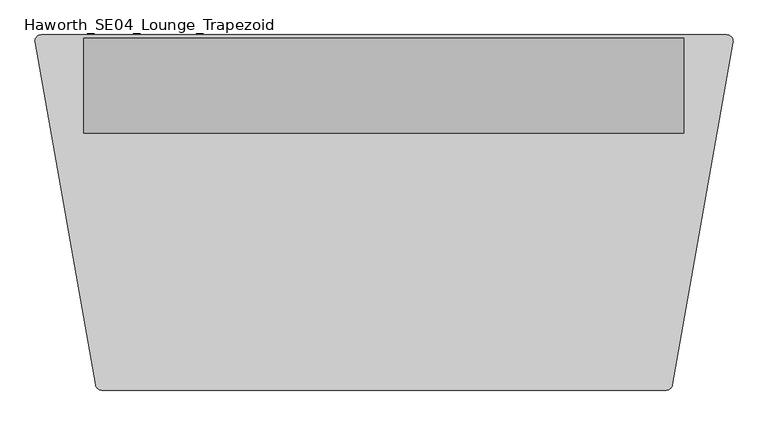
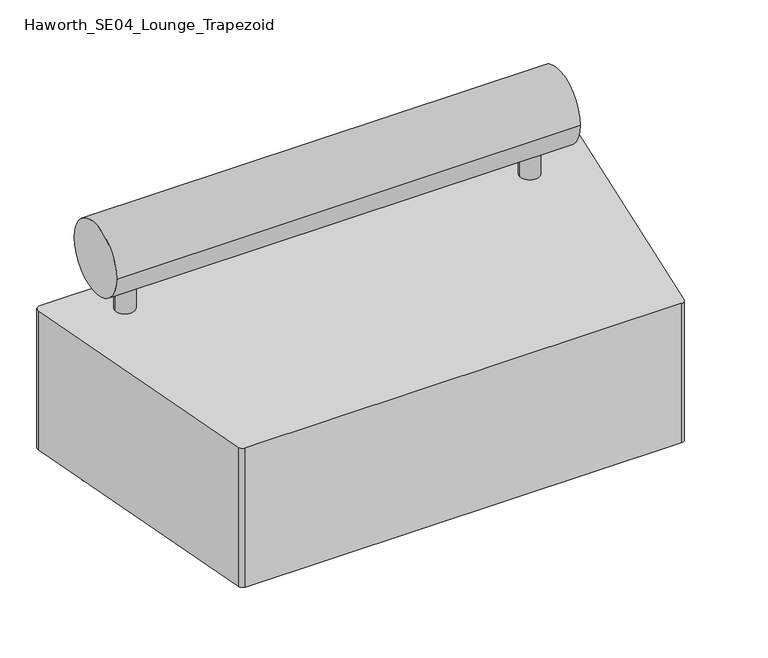
"""IFC4 building model written with IfcOpenShell, lengths in millimetres: furniture geometry, Haworth_SE04_Lounge_Trapezoid."""

import ifcopenshell
import ifcopenshell.guid

model = None  # the IFC model being written
_history = None  # IfcOwnerHistory: only IFC2X3 demands one
_inside = {}  # id of a spatial element -> (the spatial element, [elements in it])
_under = {}  # id of a project, library or spatial element -> (it, [spatial elements below it])
_declared = {}  # id of a project -> (the project, [libraries it declares])
_typed = {}  # id of a type object -> (the type object, [elements of that type])
_made_of = {}  # id of a material, layer set ... -> (it, [elements and type objects made of it])


def new_model(schema):
    """Start an empty IFC model of exactly this schema.

    Asked for "IFC4X3", IfcOpenShell would pick the latest addendum, in which some entities
    have other attributes; the version numbers below select the first issue.
    IFC2X3 requires an IfcOwnerHistory on every rooted entity: one is made here for all.
    """
    global model, _history
    if schema == "IFC4X3":
        model = ifcopenshell.file(schema_version=(4, 3, 0, 0))
    else:
        model = ifcopenshell.file(schema=schema)
    _inside.clear()
    _under.clear()
    _declared.clear()
    _typed.clear()
    _made_of.clear()
    _history = None
    if model.schema == "IFC2X3":
        org = make("IfcOrganization", Name="unknown")
        user = make(
            "IfcPersonAndOrganization",
            ThePerson=make("IfcPerson", FamilyName="unknown"),
            TheOrganization=org,
        )
        app = make(
            "IfcApplication",
            ApplicationDeveloper=org,
            Version="unknown",
            ApplicationFullName="unknown",
            ApplicationIdentifier="unknown",
        )
        _history = make(
            "IfcOwnerHistory",
            OwningUser=user,
            OwningApplication=app,
            ChangeAction="ADDED",
            CreationDate=0,
        )
    return model


def make(cls, **values):
    """One entity of the class cls with the attributes given. An attribute that is None is left unset."""
    return model.create_entity(
        cls, **{name: value for name, value in values.items() if value is not None}
    )


def rooted(cls, **values):
    """An entity with a GlobalId (a new one), such as an element, a storey or a relation."""
    return make(cls, GlobalId=ifcopenshell.guid.new(), OwnerHistory=_history, **values)


def si_unit(unit_type, name, prefix=None):
    """IfcSIUnit, for example si_unit("LENGTHUNIT", "METRE", prefix="MILLI")."""
    return make("IfcSIUnit", UnitType=unit_type, Prefix=prefix, Name=name)


def assignment(units):
    """IfcUnitAssignment: the units of a project."""
    return None if units is None else make("IfcUnitAssignment", Units=units)


def point(xyz):
    """IfcCartesianPoint."""
    return None if xyz is None else make("IfcCartesianPoint", Coordinates=xyz)


def direction(xyz):
    """IfcDirection."""
    return None if xyz is None else make("IfcDirection", DirectionRatios=xyz)


def frame(location, z_axis=None, x_axis=None):
    """IfcAxis2Placement3D, a coordinate frame: its origin and axes. An axis left out is left unset."""
    return make(
        "IfcAxis2Placement3D",
        Location=point(location),
        Axis=direction(z_axis),
        RefDirection=direction(x_axis),
    )


def frame_2d(location, x_axis=None):
    """IfcAxis2Placement2D, a coordinate frame in the plane: its origin and x axis."""
    return make(
        "IfcAxis2Placement2D", Location=point(location), RefDirection=direction(x_axis)
    )


def origin():
    """The frame at (0, 0, 0) with its axes left unset."""
    return frame((0.0, 0.0, 0.0))


def origin_with_axes():
    """The frame at (0, 0, 0) with the z axis (0, 0, 1) and the x axis (1, 0, 0) written out."""
    return frame((0.0, 0.0, 0.0), z_axis=(0.0, 0.0, 1.0), x_axis=(1.0, 0.0, 0.0))


def place(relative_to, where):
    """IfcLocalPlacement: puts the frame where relative to a parent placement (None: the world)."""
    return make(
        "IfcLocalPlacement", PlacementRelTo=relative_to, RelativePlacement=where
    )


def context(
    kind, dimensions, precision=None, world=None, true_north=None, identifier=None
):
    """IfcGeometricRepresentationContext, for example the 3D "Model" context."""
    return make(
        "IfcGeometricRepresentationContext",
        ContextIdentifier=identifier,
        ContextType=kind,
        CoordinateSpaceDimension=dimensions,
        Precision=precision,
        WorldCoordinateSystem=world,
        TrueNorth=true_north,
    )


def project(units=None, contexts=None):
    """IfcProject with its units and contexts."""
    return rooted(
        "IfcProject",
        Name="project",
        RepresentationContexts=contexts,
        UnitsInContext=assignment(units),
    )


def spatial(cls, under=None, at=None, **own):
    """A site, building, storey or space (cls), placed at a placement, below another one or the project."""
    s = rooted(cls, ObjectPlacement=at, **own)
    if under is not None:
        _under.setdefault(under.id(), (under, []))[1].append(s)
    return s


def polyline(points):
    """IfcPolyline through the points."""
    return make("IfcPolyline", Points=[point(p) for p in points])


def circle_curve(where, radius):
    """IfcCircle in the frame where."""
    return make("IfcCircle", Position=where, Radius=radius)


def trimmed(basis, trim1, trim2, sense, master):
    """IfcTrimmedCurve: the piece of a basis curve between two trims."""
    return make(
        "IfcTrimmedCurve",
        BasisCurve=basis,
        Trim1=trim1,
        Trim2=trim2,
        SenseAgreement=sense,
        MasterRepresentation=master,
    )


def segment(curve, same_sense, transition):
    """IfcCompositeCurveSegment."""
    return make(
        "IfcCompositeCurveSegment",
        Transition=transition,
        SameSense=same_sense,
        ParentCurve=curve,
    )


def composite_curve(segments, self_intersect=None):
    """IfcCompositeCurve: segments joined end to end."""
    return make("IfcCompositeCurve", Segments=segments, SelfIntersect=self_intersect)


def outline(outer, holes=None, kind="AREA"):
    """IfcArbitraryClosedProfileDef: a profile drawn as a closed curve; with holes, ...WithVoids."""
    if holes is None:
        return make("IfcArbitraryClosedProfileDef", ProfileType=kind, OuterCurve=outer)
    return make(
        "IfcArbitraryProfileDefWithVoids",
        ProfileType=kind,
        OuterCurve=outer,
        InnerCurves=holes,
    )


def extrude(swept, where, along, depth):
    """IfcExtrudedAreaSolid: the profile swept, set in the frame where, extruded along a direction by depth."""
    return make(
        "IfcExtrudedAreaSolid",
        SweptArea=swept,
        Position=where,
        ExtrudedDirection=direction(along),
        Depth=depth,
    )


def shape(context_of_items, identifier, shape_type, items):
    """IfcShapeRepresentation: the items that make up one representation, for example the "Body"."""
    return make(
        "IfcShapeRepresentation",
        ContextOfItems=context_of_items,
        RepresentationIdentifier=identifier,
        RepresentationType=shape_type,
        Items=items,
    )


def source(mapping_origin, context_of_items, identifier, shape_type, items):
    """IfcRepresentationMap: a shape defined once, which mapped items show again and again."""
    return make(
        "IfcRepresentationMap",
        MappingOrigin=mapping_origin,
        MappedRepresentation=shape(context_of_items, identifier, shape_type, items),
    )


def transform(
    local_origin,
    x_axis=None,
    y_axis=None,
    z_axis=None,
    scale=None,
    scale2=None,
    scale3=None,
    uniform=True,
):
    """IfcCartesianTransformationOperator3D, or its non-uniform kind. x_axis, y_axis, z_axis: its Axis1, 2, 3."""
    if uniform:
        return make(
            "IfcCartesianTransformationOperator3D",
            Axis1=direction(x_axis),
            Axis2=direction(y_axis),
            LocalOrigin=point(local_origin),
            Scale=scale,
            Axis3=direction(z_axis),
        )
    return make(
        "IfcCartesianTransformationOperator3DnonUniform",
        Axis1=direction(x_axis),
        Axis2=direction(y_axis),
        LocalOrigin=point(local_origin),
        Scale=scale,
        Axis3=direction(z_axis),
        Scale2=scale2,
        Scale3=scale3,
    )


def mapped(mapping_source, mapping_target):
    """IfcMappedItem: shows the shape of a source again, moved by a transform."""
    return make(
        "IfcMappedItem", MappingSource=mapping_source, MappingTarget=mapping_target
    )


def made_of(thing, what):
    """Note that an element or type object is made of a material, layer set ...; save() writes the relation."""
    if what is not None:
        _made_of.setdefault(what.id(), (what, []))[1].append(thing)
    return thing


def element(
    cls,
    number,
    at=None,
    inside=None,
    cuts=None,
    type_object=None,
    material=None,
    context=None,
    identifier="Body",
    shape_type=None,
    held_by="IfcProductDefinitionShape",
    body=None,
    shapes=None,
    **own,
):
    """One element of the class cls, such as IfcWall. Its Tag is "e" and its number.

    at: its placement. inside: the storey or other place that contains it. cuts: it is an
    opening in that element (IfcRelVoidsElement). A single representation is given by context,
    identifier, shape_type and body (its items); several are given by shapes. held_by: the class
    of the entity that holds the representations. save() writes the other relations.
    """
    e = rooted(cls, Tag="e%d" % number, ObjectPlacement=at, **own)
    if body is not None:
        shapes = [shape(context, identifier, shape_type, body)]
    if shapes is not None:
        e.Representation = make(held_by, Representations=shapes)
    if inside is not None:
        _inside.setdefault(inside.id(), (inside, []))[1].append(e)
    if cuts is not None:
        rooted(
            "IfcRelVoidsElement", RelatingBuildingElement=cuts, RelatedOpeningElement=e
        )
    if type_object is not None:
        _typed.setdefault(type_object.id(), (type_object, []))[1].append(e)
    return made_of(e, material)


def aggregate(whole, parts):
    """IfcRelAggregates: a whole, such as a stair, and the parts it consists of."""
    return rooted("IfcRelAggregates", RelatingObject=whole, RelatedObjects=parts)


def save(model, path):
    """Write the relations noted so far, then the file.

    IfcRelAggregates (storeys below a building ...), IfcRelContainedInSpatialStructure (elements
    in a storey), IfcRelDefinesByType, IfcRelAssociatesMaterial and IfcRelDeclares: one each for
    every whole, place, type object, material and project.
    """
    for whole, parts in _under.values():
        aggregate(whole, parts)
    for where, things in _inside.values():
        rooted(
            "IfcRelContainedInSpatialStructure",
            RelatedElements=things,
            RelatingStructure=where,
        )
    for kind, things in _typed.values():
        rooted("IfcRelDefinesByType", RelatedObjects=things, RelatingType=kind)
    for what, things in _made_of.values():
        rooted("IfcRelAssociatesMaterial", RelatedObjects=things, RelatingMaterial=what)
    for by, libraries in _declared.values():
        rooted("IfcRelDeclares", RelatingContext=by, RelatedDefinitions=libraries)
    model.write(path)


def haworth_se04_lounge_trapezoid_52a23010(model_context):
    return source(origin(), model_context, "Body", "SweptSolid", [
        extrude(outline(composite_curve([segment(trimmed(circle_curve(frame_2d((498.347985, 254.0)), 25.4), [point((523.747985, 254.0))], [point((472.947985, 254.0))], False, "CARTESIAN"), True, "CONTINUOUS"), segment(trimmed(circle_curve(frame_2d((498.347985, 254.0)), 25.4), [point((472.947985, 254.0))], [point((523.747985, 254.0))], False, "CARTESIAN"), True, "CONTINUOUS")], self_intersect=False)), frame((0.0, 0.0, 431.8), z_axis=(0.0, 0.0, 1.0), x_axis=(1.0, 0.0, 0.0)), (0.0, 0.0, 1.0), 79.375),
        extrude(outline(composite_curve([segment(trimmed(circle_curve(frame_2d((-549.402015, 254.0)), 25.4), [point((-574.802015, 254.0))], [point((-524.002015, 254.0))], False, "CARTESIAN"), True, "CONTINUOUS"), segment(trimmed(circle_curve(frame_2d((-549.402015, 254.0)), 25.4), [point((-524.002015, 254.0))], [point((-574.802015, 254.0))], False, "CARTESIAN"), True, "CONTINUOUS")], self_intersect=False)), frame((0.0, 0.0, 431.8), z_axis=(0.0, 0.0, 1.0), x_axis=(1.0, 0.0, 0.0)), (0.0, 0.0, 1.0), 79.375),
        extrude(outline(composite_curve([segment(trimmed(circle_curve(frame_2d((-625.602015, 254.0)), 34.925), [point((-660.527015, 254.0))], [point((-590.677015, 254.0))], False, "CARTESIAN"), True, "CONTINUOUS"), segment(trimmed(circle_curve(frame_2d((-625.602015, 254.0)), 34.925), [point((-590.677015, 254.0))], [point((-660.527015, 254.0))], False, "CARTESIAN"), True, "CONTINUOUS")], self_intersect=False)), origin_with_axes(), (0.0, 0.0, 1.0), 50.8),
        extrude(outline(composite_curve([segment(trimmed(circle_curve(frame_2d((574.547985, 254.0)), 38.1), [point((536.447985, 254.0))], [point((612.647985, 254.0))], False, "CARTESIAN"), True, "CONTINUOUS"), segment(trimmed(circle_curve(frame_2d((574.547985, 254.0)), 38.1), [point((612.647985, 254.0))], [point((536.447985, 254.0))], False, "CARTESIAN"), True, "CONTINUOUS")], self_intersect=False)), origin_with_axes(), (0.0, 0.0, 1.0), 50.8),
        extrude(outline(composite_curve([segment(trimmed(circle_curve(frame_2d((447.547985, -254.0)), 38.1), [point((409.447985, -254.0))], [point((485.647985, -254.0))], False, "CARTESIAN"), True, "CONTINUOUS"), segment(trimmed(circle_curve(frame_2d((447.547985, -254.0)), 38.1), [point((485.647985, -254.0))], [point((409.447985, -254.0))], False, "CARTESIAN"), True, "CONTINUOUS")], self_intersect=False)), origin_with_axes(), (0.0, 0.0, 1.0), 50.8),
        extrude(outline(composite_curve([segment(trimmed(circle_curve(frame_2d((-498.602015, -254.0)), 38.1), [point((-536.702015, -254.0))], [point((-460.502015, -254.0))], False, "CARTESIAN"), True, "CONTINUOUS"), segment(trimmed(circle_curve(frame_2d((-498.602015, -254.0)), 38.1), [point((-460.502015, -254.0))], [point((-536.702015, -254.0))], False, "CARTESIAN"), True, "CONTINUOUS")], self_intersect=False)), origin_with_axes(), (0.0, 0.0, 1.0), 50.8),
        extrude(outline(composite_curve([segment(trimmed(circle_curve(frame_2d((660.0956112, 342.9)), 12.7), [point((660.0956112, 355.6))], [point((672.5149534, 340.2448277))], False, "CARTESIAN"), True, "CONTINUOUS"), segment(polyline([(672.5149534, 340.2448277), (551.3823247, -345.1103934)]), True, "CONTINUOUS"), segment(trimmed(circle_curve(frame_2d((538.8761598, -342.9)), 12.7), [point((551.3823247, -345.1103934))], [point((538.8761598, -355.6))], False, "CARTESIAN"), True, "CONTINUOUS"), segment(polyline([(538.8761598, -355.6), (-589.6101651, -355.6)]), True, "CONTINUOUS"), segment(trimmed(circle_curve(frame_2d((-589.6101651, -342.9)), 12.7), [point((-589.6101651, -355.6))], [point((-602.1162788, -345.1106836))], False, "CARTESIAN"), True, "CONTINUOUS"), segment(polyline([(-602.1162788, -345.1106836), (-723.3439302, 340.6893164)]), True, "CONTINUOUS"), segment(trimmed(circle_curve(frame_2d((-710.8378166, 342.9)), 12.7), [point((-723.3439302, 340.6893164))], [point((-710.8378166, 355.6))], False, "CARTESIAN"), True, "CONTINUOUS"), segment(polyline([(-710.8378166, 355.6), (660.0956112, 355.6)]), True, "CONTINUOUS")], self_intersect=False)), frame((0.0, 0.0, 50.8), z_axis=(0.0, 0.0, 1.0), x_axis=(1.0, 0.0, 0.0)), (0.0, 0.0, 1.0), 381.0),
        extrude(outline(composite_curve([segment(trimmed(circle_curve(frame_2d((254.0, 594.0414293)), 94.8175255), [point((159.1824745, 594.0414293))], [point((348.8175255, 594.0414293))], False, "CARTESIAN"), True, "CONTINUOUS"), segment(trimmed(circle_curve(frame_2d((254.0, 594.0414293)), 94.8175255), [point((348.8175255, 594.0414293))], [point((159.1824745, 594.0414293))], False, "CARTESIAN"), True, "CONTINUOUS")], self_intersect=False)), frame((-625.602015, 0.0, 0.0), z_axis=(1.0, 0.0, 0.0), x_axis=(0.0, 1.0, 0.0)), (0.0, 0.0, 1.0), 1200.15),
    ])


if __name__ == "__main__":
    model = new_model("IFC4")
    model_context = context("Model", 3, world=origin())
    ifc_project = project(units=[si_unit("LENGTHUNIT", "METRE", prefix="MILLI")], contexts=[model_context])
    site = spatial("IfcSite", under=ifc_project)
    building = spatial("IfcBuilding", under=site)
    placement = place(None, origin())
    haworth_se04_lounge_trapezoid_shape = haworth_se04_lounge_trapezoid_52a23010(model_context)
    element("IfcFurniture", 1, ObjectType="Haworth_SE04_Lounge_Trapezoid", at=placement, inside=building, context=model_context, shape_type="MappedRepresentation", body=[
        mapped(haworth_se04_lounge_trapezoid_shape, transform((0.0, 0.0, 0.0), x_axis=(1.0, 0.0, 0.0), y_axis=(0.0, 1.0, 0.0), z_axis=(0.0, 0.0, 1.0))),
    ])
    save(model, "model.ifc")
